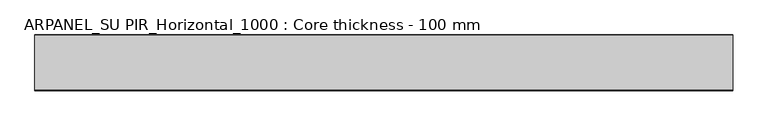
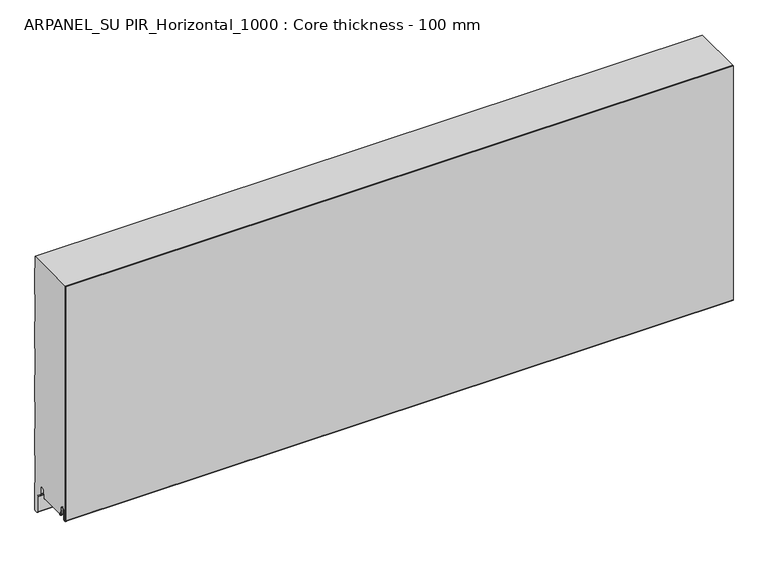
"""IFC4 building model written with IfcOpenShell, lengths in millimetres: plate geometry, ARPANEL_SU PIR_Horizontal_1000 : Core thickness - 100 mm."""

from ifc_helpers import new_model, si_unit, frame, origin, place, context, project, spatial, polyline, circle_curve, source, transform, mapped, element, save
from ifc_brep_helpers import plane_surface, cylinder_surface, revolved_surface, advanced_brep


def arpanel_su_pir_horizontal_1000_core_thickness_100_mm_6539feec(model_context):
    return source(origin(), model_context, "Body", "AdvancedBrep", [
        advanced_brep(
        [(620.0, -99.9996949, 40.1048196), (620.0, -93.81449, 39.8022656), (620.0, -92.197116, 56.2975213), (620.0, -89.1776715, 59.0045826), (620.0, -86.1582271, 56.2975213), (620.0, -84.7725998, 42.165801), (620.0, -80.3830995, 42.3804834), (620.0, -81.1830995, 42.3804834), (620.0, -83.9764178, 42.2438674), (620.0, -85.3620451, 56.3755876), (620.0, -89.1776715, 59.8046226), (620.0, -92.9932979, 56.3755876), (620.0, -94.6106719, 39.8803319), (620.0, -99.1996949, 40.1047726), (620.0, -99.2, 500.0), (620.0, -99.9996949, 500.0), (-620.0, -99.1996949, 40.1047726), (-620.0, -94.6106719, 39.8803319), (-620.0, -92.9932979, 56.3755876), (-620.0, -89.1776715, 59.8046226), (-620.0, -85.3620451, 56.3755876), (-620.0, -83.9764178, 42.2438674), (-620.0, -81.1830995, 42.3804834), (-620.0, -80.3830995, 42.3804834), (-620.0, -84.7725998, 42.165801), (-620.0, -86.1582271, 56.2975213), (-620.0, -89.1776715, 59.0045826), (-620.0, -92.197116, 56.2975213), (-620.0, -93.81449, 39.8022656), (-620.0, -99.9996949, 40.1048196), (-620.0, -99.9996949, 500.0), (-620.0, -99.2, 500.0)],
        [
            (0, 1, circle_curve(frame((620.0, -96.8996949, 40.1047726), z_axis=(1.0, 0.0, 0.0), x_axis=(0.0, 0.0, -1.0)), 3.1)),
            (1, 2),
            (2, 3, circle_curve(frame((620.0, -89.2114338, 56.0047726), z_axis=(-1.0, 0.0, 0.0), x_axis=(0.0, 0.0, -1.0)), 3.0)),
            (3, 4, circle_curve(frame((620.0, -89.1439093, 56.0047726), z_axis=(-1.0, 0.0, 0.0), x_axis=(0.0, 0.0, -1.0)), 3.0)),
            (4, 5),
            (5, 6, circle_curve(frame((620.0, -82.5830995, 42.3804834), z_axis=(1.0, 0.0, 0.0), x_axis=(0.0, 0.0, -1.0)), 2.2)),
            (6, 7),
            (7, 8, circle_curve(frame((620.0, -82.5830995, 42.3804834), z_axis=(-1.0, 0.0, 0.0), x_axis=(0.0, 0.0, -1.0)), 1.4)),
            (8, 9),
            (9, 10, circle_curve(frame((620.0, -89.1439093, 56.0047726), z_axis=(1.0, 0.0, 0.0), x_axis=(0.0, 0.0, -1.0)), 3.8)),
            (10, 11, circle_curve(frame((620.0, -89.2114338, 56.0047726), z_axis=(1.0, 0.0, 0.0), x_axis=(0.0, 0.0, -1.0)), 3.8)),
            (11, 12),
            (12, 13, circle_curve(frame((620.0, -96.8996949, 40.1047726), z_axis=(-1.0, 0.0, 0.0), x_axis=(0.0, 0.0, -1.0)), 2.3)),
            (13, 14),
            (14, 15),
            (15, 0),
            (16, 17, circle_curve(frame((-620.0, -96.8996949, 40.1047726), z_axis=(1.0, 0.0, 0.0), x_axis=(0.0, 0.0, -1.0)), 2.3)),
            (17, 18),
            (18, 19, circle_curve(frame((-620.0, -89.2114338, 56.0047726), z_axis=(-1.0, 0.0, 0.0), x_axis=(0.0, 0.0, -1.0)), 3.8)),
            (19, 20, circle_curve(frame((-620.0, -89.1439093, 56.0047726), z_axis=(-1.0, 0.0, 0.0), x_axis=(0.0, 0.0, -1.0)), 3.8)),
            (20, 21),
            (21, 22, circle_curve(frame((-620.0, -82.5830995, 42.3804834), z_axis=(1.0, 0.0, 0.0), x_axis=(0.0, 0.0, -1.0)), 1.4)),
            (22, 23),
            (23, 24, circle_curve(frame((-620.0, -82.5830995, 42.3804834), z_axis=(-1.0, 0.0, 0.0), x_axis=(0.0, 0.0, -1.0)), 2.2)),
            (24, 25),
            (25, 26, circle_curve(frame((-620.0, -89.1439093, 56.0047726), z_axis=(1.0, 0.0, 0.0), x_axis=(0.0, 0.0, -1.0)), 3.0)),
            (26, 27, circle_curve(frame((-620.0, -89.2114338, 56.0047726), z_axis=(1.0, 0.0, 0.0), x_axis=(0.0, 0.0, -1.0)), 3.0)),
            (27, 28),
            (28, 29, circle_curve(frame((-620.0, -96.8996949, 40.1047726), z_axis=(-1.0, 0.0, 0.0), x_axis=(0.0, 0.0, -1.0)), 3.1)),
            (29, 30),
            (30, 31),
            (31, 16),
            (13, 16),
            (31, 14),
            (29, 0),
            (15, 30),
            (12, 17),
            (11, 18),
            (10, 19),
            (9, 20),
            (8, 21),
            (7, 22),
            (6, 23),
            (5, 24),
            (4, 25),
            (3, 26),
            (2, 27),
            (1, 28),
        ],
        [
            plane_surface(frame((620.0, -100.0, 0.0), z_axis=(1.0, 0.0, 0.0), x_axis=(0.0, 1.0, 0.0))),
            plane_surface(frame((-620.0, -100.0, 0.0), z_axis=(-1.0, 0.0, 0.0), x_axis=(0.0, 1.0, 0.0))),
            plane_surface(frame((620.0, -99.2, 40.1047726), z_axis=(0.0, 1.0, 0.0), x_axis=(-1.0, 0.0, 0.0))),
            plane_surface(frame((620.0, -99.9996949, 1030.8000005), z_axis=(0.0, -1.0, 0.0), x_axis=(-1.0, 0.0, 0.0))),
            revolved_surface(polyline([(-620.0, -96.8996949, 37.8047726), (620.0, -96.8996949, 37.8047726)]), (620.0, -96.8996949, 40.1047726), (-1.0, 0.0, 0.0)),
            plane_surface(frame((620.0, -92.9932979, 56.3755876), z_axis=(0.0, -0.9952273999818314, 0.09758289975914787), x_axis=(-1.0, 0.0, 0.0))),
            cylinder_surface(frame((620.0, -89.2114338, 56.0047726), z_axis=(1.0, 0.0, 0.0), x_axis=(0.0, 0.0, -1.0)), 3.8),
            cylinder_surface(frame((620.0, -89.1439093, 56.0047726), z_axis=(1.0, 0.0, 0.0), x_axis=(0.0, 0.0, -1.0)), 3.8),
            plane_surface(frame((620.0, -83.9764178, 42.2438674), z_axis=(0.0, 0.9952273999818297, 0.09758289975916531), x_axis=(-1.0, 0.0, 0.0))),
            revolved_surface(polyline([(-620.0, -82.5830995, 40.980483400000004), (620.0, -82.5830995, 40.980483400000004)]), (620.0, -82.5830995, 42.3804834), (-1.0, 0.0, 0.0)),
            plane_surface(frame((620.0, -80.3830995, 42.3804834), z_axis=(0.0, 0.0, 1.0), x_axis=(-1.0, 0.0, 0.0))),
            cylinder_surface(frame((620.0, -82.5830995, 42.3804834), z_axis=(1.0, 0.0, 0.0), x_axis=(0.0, 0.0, -1.0)), 2.2),
            plane_surface(frame((620.0, -86.1582271, 56.2975213), z_axis=(0.0, -0.9952273999818296, -0.09758289975916527), x_axis=(-1.0, 0.0, 0.0))),
            revolved_surface(polyline([(-620.0, -89.1439093, 53.0047726), (620.0, -89.1439093, 53.0047726)]), (620.0, -89.1439093, 56.0047726), (-1.0, 0.0, 0.0)),
            revolved_surface(polyline([(-620.0, -89.2114338, 53.0047726), (620.0, -89.2114338, 53.0047726)]), (620.0, -89.2114338, 56.0047726), (-1.0, 0.0, 0.0)),
            plane_surface(frame((620.0, -93.81449, 39.8022656), z_axis=(0.0, 0.9952273999818314, -0.09758289975914787), x_axis=(-1.0, 0.0, 0.0))),
            cylinder_surface(frame((620.0, -96.8996949, 40.1047726), z_axis=(1.0, 0.0, 0.0), x_axis=(0.0, 0.0, -1.0)), 3.1),
            plane_surface(frame((-620.0, 134.0533409, 500.0), z_axis=(0.0, 0.0, 1.0), x_axis=(1.0, 0.0, 0.0))),
        ],
        [
            (0, [[1, 2, 3, 4, 5, 6, 7, 8, 9, 10, 11, 12, 13, 14, 15, 16]]),
            (1, [[17, 18, 19, 20, 21, 22, 23, 24, 25, 26, 27, 28, 29, 30, 31, 32]]),
            (2, [[33, -32, 34, -14]]),
            (3, [[35, -16, 36, -30]]),
            (4, [[-13, 37, -17, -33]]),
            (5, [[-12, 38, -18, -37]]),
            (6, [[-11, 39, -19, -38]]),
            (7, [[-10, 40, -20, -39]]),
            (8, [[-9, 41, -21, -40]]),
            (9, [[-8, 42, -22, -41]]),
            (10, [[-7, 43, -23, -42]]),
            (11, [[-6, 44, -24, -43]]),
            (12, [[-5, 45, -25, -44]]),
            (13, [[-4, 46, -26, -45]]),
            (14, [[-3, 47, -27, -46]]),
            (15, [[-2, 48, -28, -47]]),
            (16, [[-1, -35, -29, -48]]),
            (17, [[-15, -34, -31, -36]]),
        ],
    ),
        advanced_brep(
        [(620.0, -34.0468325, 41.6703125), (620.0, -34.1991613, 42.1885183), (620.0, -34.6332818, 44.6505377), (620.0, -33.8454356, 44.7894563), (620.0, -33.4113151, 42.3274369), (620.0, -30.1822811, 42.4684196), (620.0, -28.9698453, 56.3266239), (620.0, -25.1843055, 59.7954321), (620.0, -23.0, 59.7954321), (620.0, -19.2, 55.9954321), (620.0, -19.2, 43.8723898), (620.0, -17.5667978, 40.7350375), (620.0, -11.2468331, 36.3097506), (620.0, -9.2, 32.3778208), (620.0, -9.2, 2.6273641), (620.0, -7.37, 0.7973641), (620.0, -2.63, 0.7973641), (620.0, -0.8, 2.6273641), (620.0, -0.8, 54.1944521), (620.0, -1.0986697, 55.2458679), (620.0, -1.5003051, 56.6662489), (620.0, -1.5003051, 106.8260321), (620.0, -1.0971009, 108.2454435), (620.0, -0.8, 109.2978289), (620.0, -0.8, 159.4576121), (620.0, -1.0986697, 160.5090279), (620.0, -1.5003051, 161.9294089), (620.0, -1.5003051, 212.0891921), (620.0, -1.0971009, 213.5086035), (620.0, -0.8, 214.5609889), (620.0, -0.8, 264.7207721), (620.0, -1.0986697, 265.7721879), (620.0, -1.5003051, 267.1925689), (620.0, -1.5003051, 317.3523521), (620.0, -1.0971009, 318.7717635), (620.0, -0.8, 319.8241489), (620.0, -0.8, 369.9839321), (620.0, -1.0986697, 371.0353479), (620.0, -1.5003051, 372.4557289), (620.0, -1.5003051, 422.6155121), (620.0, -1.0971009, 424.0349235), (620.0, -0.8, 425.0873089), (620.0, -0.8, 475.2470921), (620.0, -1.0986697, 476.2985079), (620.0, -1.5003051, 477.7188889), (620.0, -1.5003051, 500.0), (620.0, -99.2, 500.0), (620.0, -99.2, 40.1047726), (620.0, -94.6106719, 39.8803319), (620.0, -92.9932979, 56.3755876), (620.0, -89.1776715, 59.8046226), (620.0, -85.3620451, 56.3755876), (620.0, -83.9764178, 42.2438674), (620.0, -81.1830995, 42.3804834), (620.0, -80.3830995, 42.3804834), (620.0, -80.5008754, 41.6703125), (-620.0, -34.1991613, 42.1885183), (-620.0, -34.0468325, 41.6703125), (-620.0, -80.5008754, 41.6703125), (-620.0, -80.3830995, 42.3804834), (-620.0, -81.1830995, 42.3804834), (-620.0, -83.9764178, 42.2438674), (-620.0, -85.3620451, 56.3755876), (-620.0, -89.1776715, 59.8046226), (-620.0, -92.9932979, 56.3755876), (-620.0, -94.6106719, 39.8803319), (-620.0, -99.1996949, 40.1047726), (-620.0, -99.2, 500.0), (-620.0, -1.5003051, 500.0), (-620.0, -1.5003051, 477.7188889), (-620.0, -1.0971009, 476.2994775), (-620.0, -0.8, 475.2470921), (-620.0, -0.8, 425.0873089), (-620.0, -1.0986697, 424.035893), (-620.0, -1.5003051, 422.6155121), (-620.0, -1.5003051, 372.4557289), (-620.0, -1.0971009, 371.0363175), (-620.0, -0.8, 369.9839321), (-620.0, -0.8, 319.8241489), (-620.0, -1.0986697, 318.772733), (-620.0, -1.5003051, 317.3523521), (-620.0, -1.5003051, 267.1925689), (-620.0, -1.0971009, 265.7731575), (-620.0, -0.8, 264.7207721), (-620.0, -0.8, 214.5609889), (-620.0, -1.0986697, 213.509573), (-620.0, -1.5003051, 212.0891921), (-620.0, -1.5003051, 161.9294089), (-620.0, -1.0971009, 160.5099975), (-620.0, -0.8, 159.4576121), (-620.0, -0.8, 109.2978289), (-620.0, -1.0986697, 108.246413), (-620.0, -1.5003051, 106.8260321), (-620.0, -1.5003051, 56.6662489), (-620.0, -1.0971009, 55.2468375), (-620.0, -0.8, 54.1944521), (-620.0, -0.8, 2.6273641), (-620.0, -2.63, 0.7973641), (-620.0, -7.37, 0.7973641), (-620.0, -9.2, 2.6273641), (-620.0, -9.2, 32.3778208), (-620.0, -11.2468331, 36.3097506), (-620.0, -17.5667978, 40.7350375), (-620.0, -19.2, 43.8723898), (-620.0, -19.2, 55.9954321), (-620.0, -23.0, 59.7954321), (-620.0, -25.1843055, 59.7954321), (-620.0, -28.9698453, 56.3266239), (-620.0, -30.1822811, 42.4684196), (-620.0, -33.4113151, 42.3274369), (-620.0, -33.8454356, 44.7894563), (-620.0, -34.6332818, 44.6505377)],
        [
            (0, 1, circle_curve(frame((620.0, -31.8060785, 42.6104834), z_axis=(-1.0, 0.0, 0.0), x_axis=(0.0, 0.0, -1.0)), 2.43)),
            (1, 2),
            (2, 3),
            (3, 4),
            (4, 5, circle_curve(frame((620.0, -31.8060785, 42.6104834), z_axis=(1.0, 0.0, 0.0), x_axis=(0.0, 0.0, -1.0)), 1.63)),
            (5, 6),
            (6, 7, circle_curve(frame((620.0, -25.1843055, 55.9954321), z_axis=(-1.0, 0.0, 0.0), x_axis=(0.0, 0.0, -1.0)), 3.8)),
            (7, 8),
            (8, 9, circle_curve(frame((620.0, -23.0, 55.9954321), z_axis=(-1.0, 0.0, 0.0), x_axis=(0.0, 0.0, -1.0)), 3.8)),
            (9, 10),
            (10, 11, circle_curve(frame((620.0, -15.37, 43.8723898), z_axis=(1.0, 0.0, 0.0), x_axis=(0.0, 0.0, -1.0)), 3.83)),
            (11, 12),
            (12, 13, circle_curve(frame((620.0, -14.0, 32.3778208), z_axis=(-1.0, 0.0, 0.0), x_axis=(0.0, 0.0, -1.0)), 4.8)),
            (13, 14),
            (14, 15, circle_curve(frame((620.0, -7.37, 2.6273641), z_axis=(1.0, 0.0, 0.0), x_axis=(0.0, 0.0, -1.0)), 1.83)),
            (15, 16),
            (16, 17, circle_curve(frame((620.0, -2.63, 2.6273641), z_axis=(1.0, 0.0, 0.0), x_axis=(0.0, 0.0, -1.0)), 1.83)),
            (17, 18),
            (18, 19, circle_curve(frame((620.0, -2.8, 54.1944521), z_axis=(1.0, 0.0, 0.0), x_axis=(0.0, 0.0, -1.0)), 2.0)),
            (19, 20, circle_curve(frame((620.0, 1.1996949, 56.6662489), z_axis=(-1.0, 0.0, 0.0), x_axis=(0.0, 0.0, -1.0)), 2.7)),
            (20, 21),
            (21, 22, circle_curve(frame((620.0, 1.1996949, 106.8260321), z_axis=(-1.0, 0.0, 0.0), x_axis=(0.0, 0.0, -1.0)), 2.7)),
            (22, 23, circle_curve(frame((620.0, -2.8, 109.2978289), z_axis=(1.0, 0.0, 0.0), x_axis=(0.0, 0.0, -1.0)), 2.0)),
            (23, 24),
            (24, 25, circle_curve(frame((620.0, -2.8, 159.4576121), z_axis=(1.0, 0.0, 0.0), x_axis=(0.0, 0.0, -1.0)), 2.0)),
            (25, 26, circle_curve(frame((620.0, 1.1996949, 161.9294089), z_axis=(-1.0, 0.0, 0.0), x_axis=(0.0, 0.0, -1.0)), 2.7)),
            (26, 27),
            (27, 28, circle_curve(frame((620.0, 1.1996949, 212.0891921), z_axis=(-1.0, 0.0, 0.0), x_axis=(0.0, 0.0, -1.0)), 2.7)),
            (28, 29, circle_curve(frame((620.0, -2.8, 214.5609889), z_axis=(1.0, 0.0, 0.0), x_axis=(0.0, 0.0, -1.0)), 2.0)),
            (29, 30),
            (30, 31, circle_curve(frame((620.0, -2.8, 264.7207721), z_axis=(1.0, 0.0, 0.0), x_axis=(0.0, 0.0, -1.0)), 2.0)),
            (31, 32, circle_curve(frame((620.0, 1.1996949, 267.1925689), z_axis=(-1.0, 0.0, 0.0), x_axis=(0.0, 0.0, -1.0)), 2.7)),
            (32, 33),
            (33, 34, circle_curve(frame((620.0, 1.1996949, 317.3523521), z_axis=(-1.0, 0.0, 0.0), x_axis=(0.0, 0.0, -1.0)), 2.7)),
            (34, 35, circle_curve(frame((620.0, -2.8, 319.8241489), z_axis=(1.0, 0.0, 0.0), x_axis=(0.0, 0.0, -1.0)), 2.0)),
            (35, 36),
            (36, 37, circle_curve(frame((620.0, -2.8, 369.9839321), z_axis=(1.0, 0.0, 0.0), x_axis=(0.0, 0.0, -1.0)), 2.0)),
            (37, 38, circle_curve(frame((620.0, 1.1996949, 372.4557289), z_axis=(-1.0, 0.0, 0.0), x_axis=(0.0, 0.0, -1.0)), 2.7)),
            (38, 39),
            (39, 40, circle_curve(frame((620.0, 1.1996949, 422.6155121), z_axis=(-1.0, 0.0, 0.0), x_axis=(0.0, 0.0, -1.0)), 2.7)),
            (40, 41, circle_curve(frame((620.0, -2.8, 425.0873089), z_axis=(1.0, 0.0, 0.0), x_axis=(0.0, 0.0, -1.0)), 2.0)),
            (41, 42),
            (42, 43, circle_curve(frame((620.0, -2.8, 475.2470921), z_axis=(1.0, 0.0, 0.0), x_axis=(0.0, 0.0, -1.0)), 2.0)),
            (43, 44, circle_curve(frame((620.0, 1.1996949, 477.7188889), z_axis=(-1.0, 0.0, 0.0), x_axis=(0.0, 0.0, -1.0)), 2.7)),
            (44, 45),
            (45, 46),
            (46, 47),
            (47, 48, circle_curve(frame((620.0, -96.8996949, 40.1047726), z_axis=(1.0, 0.0, 0.0), x_axis=(0.0, 0.0, -1.0)), 2.3)),
            (48, 49),
            (49, 50, circle_curve(frame((620.0, -89.2114338, 56.0047726), z_axis=(-1.0, 0.0, 0.0), x_axis=(0.0, 0.0, -1.0)), 3.8)),
            (50, 51, circle_curve(frame((620.0, -89.1439093, 56.0047726), z_axis=(-1.0, 0.0, 0.0), x_axis=(0.0, 0.0, -1.0)), 3.8)),
            (51, 52),
            (52, 53, circle_curve(frame((620.0, -82.5830995, 42.3804834), z_axis=(1.0, 0.0, 0.0), x_axis=(0.0, 0.0, -1.0)), 1.4)),
            (53, 54),
            (54, 55, circle_curve(frame((620.0, -82.5830995, 42.3804834), z_axis=(-1.0, 0.0, 0.0), x_axis=(0.0, 0.0, -1.0)), 2.2)),
            (55, 0),
            (56, 57, circle_curve(frame((-620.0, -31.8060785, 42.6104834), z_axis=(1.0, 0.0, 0.0), x_axis=(0.0, 0.0, -1.0)), 2.43)),
            (57, 58),
            (58, 59, circle_curve(frame((-620.0, -82.5830995, 42.3804834), z_axis=(1.0, 0.0, 0.0), x_axis=(0.0, 0.0, -1.0)), 2.2)),
            (59, 60),
            (60, 61, circle_curve(frame((-620.0, -82.5830995, 42.3804834), z_axis=(-1.0, 0.0, 0.0), x_axis=(0.0, 0.0, -1.0)), 1.4)),
            (61, 62),
            (62, 63, circle_curve(frame((-620.0, -89.1439093, 56.0047726), z_axis=(1.0, 0.0, 0.0), x_axis=(0.0, 0.0, -1.0)), 3.8)),
            (63, 64, circle_curve(frame((-620.0, -89.2114338, 56.0047726), z_axis=(1.0, 0.0, 0.0), x_axis=(0.0, 0.0, -1.0)), 3.8)),
            (64, 65),
            (65, 66, circle_curve(frame((-620.0, -96.8996949, 40.1047726), z_axis=(-1.0, 0.0, 0.0), x_axis=(0.0, 0.0, -1.0)), 2.3)),
            (66, 67),
            (67, 68),
            (68, 69),
            (69, 70, circle_curve(frame((-620.0, 1.1996949, 477.7188889), z_axis=(1.0, 0.0, 0.0), x_axis=(0.0, 0.0, -1.0)), 2.7)),
            (70, 71, circle_curve(frame((-620.0, -2.8, 475.2470921), z_axis=(-1.0, 0.0, 0.0), x_axis=(0.0, 0.0, -1.0)), 2.0)),
            (71, 72),
            (72, 73, circle_curve(frame((-620.0, -2.8, 425.0873089), z_axis=(-1.0, 0.0, 0.0), x_axis=(0.0, 0.0, -1.0)), 2.0)),
            (73, 74, circle_curve(frame((-620.0, 1.1996949, 422.6155121), z_axis=(1.0, 0.0, 0.0), x_axis=(0.0, 0.0, -1.0)), 2.7)),
            (74, 75),
            (75, 76, circle_curve(frame((-620.0, 1.1996949, 372.4557289), z_axis=(1.0, 0.0, 0.0), x_axis=(0.0, 0.0, -1.0)), 2.7)),
            (76, 77, circle_curve(frame((-620.0, -2.8, 369.9839321), z_axis=(-1.0, 0.0, 0.0), x_axis=(0.0, 0.0, -1.0)), 2.0)),
            (77, 78),
            (78, 79, circle_curve(frame((-620.0, -2.8, 319.8241489), z_axis=(-1.0, 0.0, 0.0), x_axis=(0.0, 0.0, -1.0)), 2.0)),
            (79, 80, circle_curve(frame((-620.0, 1.1996949, 317.3523521), z_axis=(1.0, 0.0, 0.0), x_axis=(0.0, 0.0, -1.0)), 2.7)),
            (80, 81),
            (81, 82, circle_curve(frame((-620.0, 1.1996949, 267.1925689), z_axis=(1.0, 0.0, 0.0), x_axis=(0.0, 0.0, -1.0)), 2.7)),
            (82, 83, circle_curve(frame((-620.0, -2.8, 264.7207721), z_axis=(-1.0, 0.0, 0.0), x_axis=(0.0, 0.0, -1.0)), 2.0)),
            (83, 84),
            (84, 85, circle_curve(frame((-620.0, -2.8, 214.5609889), z_axis=(-1.0, 0.0, 0.0), x_axis=(0.0, 0.0, -1.0)), 2.0)),
            (85, 86, circle_curve(frame((-620.0, 1.1996949, 212.0891921), z_axis=(1.0, 0.0, 0.0), x_axis=(0.0, 0.0, -1.0)), 2.7)),
            (86, 87),
            (87, 88, circle_curve(frame((-620.0, 1.1996949, 161.9294089), z_axis=(1.0, 0.0, 0.0), x_axis=(0.0, 0.0, -1.0)), 2.7)),
            (88, 89, circle_curve(frame((-620.0, -2.8, 159.4576121), z_axis=(-1.0, 0.0, 0.0), x_axis=(0.0, 0.0, -1.0)), 2.0)),
            (89, 90),
            (90, 91, circle_curve(frame((-620.0, -2.8, 109.2978289), z_axis=(-1.0, 0.0, 0.0), x_axis=(0.0, 0.0, -1.0)), 2.0)),
            (91, 92, circle_curve(frame((-620.0, 1.1996949, 106.8260321), z_axis=(1.0, 0.0, 0.0), x_axis=(0.0, 0.0, -1.0)), 2.7)),
            (92, 93),
            (93, 94, circle_curve(frame((-620.0, 1.1996949, 56.6662489), z_axis=(1.0, 0.0, 0.0), x_axis=(0.0, 0.0, -1.0)), 2.7)),
            (94, 95, circle_curve(frame((-620.0, -2.8, 54.1944521), z_axis=(-1.0, 0.0, 0.0), x_axis=(0.0, 0.0, -1.0)), 2.0)),
            (95, 96),
            (96, 97, circle_curve(frame((-620.0, -2.63, 2.6273641), z_axis=(-1.0, 0.0, 0.0), x_axis=(0.0, 0.0, -1.0)), 1.83)),
            (97, 98),
            (98, 99, circle_curve(frame((-620.0, -7.37, 2.6273641), z_axis=(-1.0, 0.0, 0.0), x_axis=(0.0, 0.0, -1.0)), 1.83)),
            (99, 100),
            (100, 101, circle_curve(frame((-620.0, -14.0, 32.3778208), z_axis=(1.0, 0.0, 0.0), x_axis=(0.0, 0.0, -1.0)), 4.8)),
            (101, 102),
            (102, 103, circle_curve(frame((-620.0, -15.37, 43.8723898), z_axis=(-1.0, 0.0, 0.0), x_axis=(0.0, 0.0, -1.0)), 3.83)),
            (103, 104),
            (104, 105, circle_curve(frame((-620.0, -23.0, 55.9954321), z_axis=(1.0, 0.0, 0.0), x_axis=(0.0, 0.0, -1.0)), 3.8)),
            (105, 106),
            (106, 107, circle_curve(frame((-620.0, -25.1843055, 55.9954321), z_axis=(1.0, 0.0, 0.0), x_axis=(0.0, 0.0, -1.0)), 3.8)),
            (107, 108),
            (108, 109, circle_curve(frame((-620.0, -31.8060785, 42.6104834), z_axis=(-1.0, 0.0, 0.0), x_axis=(0.0, 0.0, -1.0)), 1.63)),
            (109, 110),
            (110, 111),
            (111, 56),
            (57, 0),
            (55, 58),
            (66, 47),
            (46, 67),
            (65, 48),
            (64, 49),
            (63, 50),
            (62, 51),
            (61, 52),
            (60, 53),
            (59, 54),
            (45, 68),
            (56, 1),
            (111, 2),
            (110, 3),
            (109, 4),
            (108, 5),
            (107, 6),
            (106, 7),
            (105, 8),
            (104, 9),
            (103, 10),
            (102, 11),
            (101, 12),
            (100, 13),
            (99, 14),
            (98, 15),
            (97, 16),
            (96, 17),
            (95, 18),
            (94, 19),
            (93, 20),
            (92, 21),
            (91, 22),
            (90, 23),
            (89, 24),
            (88, 25),
            (87, 26),
            (86, 27),
            (85, 28),
            (84, 29),
            (83, 30),
            (82, 31),
            (81, 32),
            (80, 33),
            (79, 34),
            (78, 35),
            (77, 36),
            (76, 37),
            (75, 38),
            (74, 39),
            (73, 40),
            (72, 41),
            (71, 42),
            (70, 43),
            (69, 44),
        ],
        [
            plane_surface(frame((620.0, 0.0, 0.0), z_axis=(1.0, 0.0, 0.0), x_axis=(0.0, -1.0, 0.0))),
            plane_surface(frame((-620.0, 0.0, 0.0), z_axis=(-1.0, 0.0, 0.0), x_axis=(0.0, -1.0, 0.0))),
            plane_surface(frame((620.0, -81.0, 41.6703125), z_axis=(0.0, 0.0, -1.0), x_axis=(-1.0, 0.0, 0.0))),
            plane_surface(frame((750.0, -99.2, 40.1047726), z_axis=(0.0, -1.0, 0.0), x_axis=(-1.0, 0.0, 0.0))),
            cylinder_surface(frame((750.0, -96.8996949, 40.1047726), z_axis=(-1.0, 0.0, 0.0), x_axis=(0.0, 0.0, -1.0)), 2.3),
            plane_surface(frame((750.0, -92.9932979, 56.3755876), z_axis=(0.0, 0.9952273999818314, -0.09758289975914787), x_axis=(-1.0, 0.0, 0.0))),
            revolved_surface(polyline([(620.0, -89.2114338, 52.204772600000005), (-620.0, -89.2114338, 52.204772600000005)]), (750.0, -89.2114338, 56.0047726), (1.0, 0.0, 0.0)),
            revolved_surface(polyline([(620.0, -89.1439093, 52.204772600000005), (-620.0, -89.1439093, 52.204772600000005)]), (750.0, -89.1439093, 56.0047726), (1.0, 0.0, 0.0)),
            plane_surface(frame((750.0, -83.9764178, 42.2438674), z_axis=(0.0, -0.9952273999818297, -0.09758289975916531), x_axis=(-1.0, 0.0, 0.0))),
            cylinder_surface(frame((750.0, -82.5830995, 42.3804834), z_axis=(-1.0, 0.0, 0.0), x_axis=(0.0, 0.0, -1.0)), 1.4),
            plane_surface(frame((750.0, -80.3830995, 42.3804834), z_axis=(0.0, 0.0, -1.0), x_axis=(-1.0, 0.0, 0.0))),
            revolved_surface(polyline([(620.0, -82.5830995, 40.1804834), (-620.0, -82.5830995, 40.1804834)]), (750.0, -82.5830995, 42.3804834), (1.0, 0.0, 0.0)),
            plane_surface(frame((-620.0, 134.0533409, 500.0), z_axis=(0.0, 0.0, 1.0), x_axis=(1.0, 0.0, 0.0))),
            revolved_surface(polyline([(620.0, -31.8060785, 40.1804834), (-620.0, -31.8060785, 40.1804834)]), (750.0, -31.8060785, 42.6104834), (1.0, 0.0, 0.0)),
            plane_surface(frame((750.0, -34.6332818, 44.6505377), z_axis=(0.0, 0.9848077530122206, 0.1736481776668594), x_axis=(-1.0, 0.0, 0.0))),
            plane_surface(frame((750.0, -33.8454356, 44.7894563), z_axis=(0.0, 0.17364817766684099, -0.9848077530122239), x_axis=(-1.0, 0.0, 0.0))),
            plane_surface(frame((750.0, -33.4113151, 42.3274369), z_axis=(0.0, -0.9848077530122203, -0.17364817766686078), x_axis=(-1.0, 0.0, 0.0))),
            cylinder_surface(frame((750.0, -31.8060785, 42.6104834), z_axis=(-1.0, 0.0, 0.0), x_axis=(0.0, 0.0, -1.0)), 1.63),
            plane_surface(frame((750.0, -28.9698453, 56.3266239), z_axis=(0.0, 0.996194698091768, -0.08715574274740188), x_axis=(-1.0, 0.0, 0.0))),
            revolved_surface(polyline([(620.0, -25.1843055, 52.195432100000005), (-620.0, -25.1843055, 52.195432100000005)]), (750.0, -25.1843055, 55.9954321), (1.0, 0.0, 0.0)),
            plane_surface(frame((750.0, -23.0, 59.7954321), z_axis=(0.0, 0.0, -1.0), x_axis=(-1.0, 0.0, 0.0))),
            revolved_surface(polyline([(620.0, -23.0, 52.195432100000005), (-620.0, -23.0, 52.195432100000005)]), (750.0, -23.0, 55.9954321), (1.0, 0.0, 0.0)),
            plane_surface(frame((750.0, -19.2, 43.8723898), z_axis=(0.0, -1.0, 0.0), x_axis=(-1.0, 0.0, 0.0))),
            cylinder_surface(frame((750.0, -15.37, 43.8723898), z_axis=(-1.0, 0.0, 0.0), x_axis=(0.0, 0.0, -1.0)), 3.83),
            plane_surface(frame((750.0, -11.2468331, 36.3097506), z_axis=(0.0, -0.5735764363510797, -0.8191520442889684), x_axis=(-1.0, 0.0, 0.0))),
            revolved_surface(polyline([(620.0, -14.0, 27.5778208), (-620.0, -14.0, 27.5778208)]), (750.0, -14.0, 32.3778208), (1.0, 0.0, 0.0)),
            plane_surface(frame((750.0, -9.2, 2.6273641), z_axis=(0.0, -1.0, 0.0), x_axis=(-1.0, 0.0, 0.0))),
            cylinder_surface(frame((750.0, -7.37, 2.6273641), z_axis=(-1.0, 0.0, 0.0), x_axis=(0.0, 0.0, -1.0)), 1.83),
            plane_surface(frame((750.0, -2.63, 0.7973641), z_axis=(0.0, 0.0, -1.0), x_axis=(-1.0, 0.0, 0.0))),
            cylinder_surface(frame((750.0, -2.63, 2.6273641), z_axis=(-1.0, 0.0, 0.0), x_axis=(0.0, 0.0, -1.0)), 1.83),
            plane_surface(frame((750.0, -0.8, 54.1944521), z_axis=(0.0, 1.0, 0.0), x_axis=(-1.0, 0.0, 0.0))),
            cylinder_surface(frame((750.0, -2.8, 54.1944521), z_axis=(-1.0, 0.0, 0.0), x_axis=(0.0, 0.0, -1.0)), 2.0),
            revolved_surface(polyline([(620.0, 1.1996949, 53.9662489), (-620.0, 1.1996949, 53.9662489)]), (750.0, 1.1996949, 56.6662489), (1.0, 0.0, 0.0)),
            plane_surface(frame((750.0, -1.5003051, 106.8260321), z_axis=(0.0, 1.0, 0.0), x_axis=(-1.0, 0.0, 0.0))),
            revolved_surface(polyline([(620.0, 1.1996949, 104.1260321), (-620.0, 1.1996949, 104.1260321)]), (750.0, 1.1996949, 106.8260321), (1.0, 0.0, 0.0)),
            cylinder_surface(frame((750.0, -2.8, 109.2978289), z_axis=(-1.0, 0.0, 0.0), x_axis=(0.0, 0.0, -1.0)), 2.0),
            plane_surface(frame((750.0, -0.8, 159.4576121), z_axis=(0.0, 1.0, 0.0), x_axis=(-1.0, 0.0, 0.0))),
            cylinder_surface(frame((750.0, -2.8, 159.4576121), z_axis=(-1.0, 0.0, 0.0), x_axis=(0.0, 0.0, -1.0)), 2.0),
            revolved_surface(polyline([(620.0, 1.1996949, 159.2294089), (-620.0, 1.1996949, 159.2294089)]), (750.0, 1.1996949, 161.9294089), (1.0, 0.0, 0.0)),
            plane_surface(frame((750.0, -1.5003051, 212.0891921), z_axis=(0.0, 1.0, 0.0), x_axis=(-1.0, 0.0, 0.0))),
            revolved_surface(polyline([(620.0, 1.1996949, 209.3891921), (-620.0, 1.1996949, 209.3891921)]), (750.0, 1.1996949, 212.0891921), (1.0, 0.0, 0.0)),
            cylinder_surface(frame((750.0, -2.8, 214.5609889), z_axis=(-1.0, 0.0, 0.0), x_axis=(0.0, 0.0, -1.0)), 2.0),
            plane_surface(frame((750.0, -0.8, 264.7207721), z_axis=(0.0, 1.0, 0.0), x_axis=(-1.0, 0.0, 0.0))),
            cylinder_surface(frame((750.0, -2.8, 264.7207721), z_axis=(-1.0, 0.0, 0.0), x_axis=(0.0, 0.0, -1.0)), 2.0),
            revolved_surface(polyline([(620.0, 1.1996949, 264.49256890000004), (-620.0, 1.1996949, 264.49256890000004)]), (750.0, 1.1996949, 267.1925689), (1.0, 0.0, 0.0)),
            plane_surface(frame((750.0, -1.5003051, 317.3523521), z_axis=(0.0, 1.0, 0.0), x_axis=(-1.0, 0.0, 0.0))),
            revolved_surface(polyline([(620.0, 1.1996949, 314.65235210000003), (-620.0, 1.1996949, 314.65235210000003)]), (750.0, 1.1996949, 317.3523521), (1.0, 0.0, 0.0)),
            cylinder_surface(frame((750.0, -2.8, 319.8241489), z_axis=(-1.0, 0.0, 0.0), x_axis=(0.0, 0.0, -1.0)), 2.0),
            plane_surface(frame((750.0, -0.8, 369.9839321), z_axis=(0.0, 1.0, 0.0), x_axis=(-1.0, 0.0, 0.0))),
            cylinder_surface(frame((750.0, -2.8, 369.9839321), z_axis=(-1.0, 0.0, 0.0), x_axis=(0.0, 0.0, -1.0)), 2.0),
            revolved_surface(polyline([(620.0, 1.1996949, 369.7557289), (-620.0, 1.1996949, 369.7557289)]), (750.0, 1.1996949, 372.4557289), (1.0, 0.0, 0.0)),
            plane_surface(frame((750.0, -1.5003051, 422.6155121), z_axis=(0.0, 1.0, 0.0), x_axis=(-1.0, 0.0, 0.0))),
            revolved_surface(polyline([(620.0, 1.1996949, 419.9155121), (-620.0, 1.1996949, 419.9155121)]), (750.0, 1.1996949, 422.6155121), (1.0, 0.0, 0.0)),
            cylinder_surface(frame((750.0, -2.8, 425.0873089), z_axis=(-1.0, 0.0, 0.0), x_axis=(0.0, 0.0, -1.0)), 2.0),
            plane_surface(frame((750.0, -0.8, 475.2470921), z_axis=(0.0, 1.0, 0.0), x_axis=(-1.0, 0.0, 0.0))),
            cylinder_surface(frame((750.0, -2.8, 475.2470921), z_axis=(-1.0, 0.0, 0.0), x_axis=(0.0, 0.0, -1.0)), 2.0),
            revolved_surface(polyline([(620.0, 1.1996949, 475.01888890000004), (-620.0, 1.1996949, 475.01888890000004)]), (750.0, 1.1996949, 477.7188889), (1.0, 0.0, 0.0)),
            plane_surface(frame((750.0, -1.5003051, 527.8786721), z_axis=(0.0, 1.0, 0.0), x_axis=(-1.0, 0.0, 0.0))),
        ],
        [
            (0, [[1, 2, 3, 4, 5, 6, 7, 8, 9, 10, 11, 12, 13, 14, 15, 16, 17, 18, 19, 20, 21, 22, 23, 24, 25, 26, 27, 28, 29, 30, 31, 32, 33, 34, 35, 36, 37, 38, 39, 40, 41, 42, 43, 44, 45, 46, 47, 48, 49, 50, 51, 52, 53, 54, 55, 56]]),
            (1, [[57, 58, 59, 60, 61, 62, 63, 64, 65, 66, 67, 68, 69, 70, 71, 72, 73, 74, 75, 76, 77, 78, 79, 80, 81, 82, 83, 84, 85, 86, 87, 88, 89, 90, 91, 92, 93, 94, 95, 96, 97, 98, 99, 100, 101, 102, 103, 104, 105, 106, 107, 108, 109, 110, 111, 112]]),
            (2, [[113, -56, 114, -58]]),
            (3, [[115, -47, 116, -67]]),
            (4, [[-115, -66, 117, -48]]),
            (5, [[-117, -65, 118, -49]]),
            (6, [[-118, -64, 119, -50]]),
            (7, [[-119, -63, 120, -51]]),
            (8, [[-120, -62, 121, -52]]),
            (9, [[-121, -61, 122, -53]]),
            (10, [[-122, -60, 123, -54]]),
            (11, [[-123, -59, -114, -55]]),
            (12, [[124, -68, -116, -46]]),
            (13, [[125, -1, -113, -57]]),
            (14, [[-125, -112, 126, -2]]),
            (15, [[-126, -111, 127, -3]]),
            (16, [[-127, -110, 128, -4]]),
            (17, [[-128, -109, 129, -5]]),
            (18, [[-129, -108, 130, -6]]),
            (19, [[-130, -107, 131, -7]]),
            (20, [[-131, -106, 132, -8]]),
            (21, [[-132, -105, 133, -9]]),
            (22, [[-133, -104, 134, -10]]),
            (23, [[-134, -103, 135, -11]]),
            (24, [[-135, -102, 136, -12]]),
            (25, [[-136, -101, 137, -13]]),
            (26, [[-137, -100, 138, -14]]),
            (27, [[-138, -99, 139, -15]]),
            (28, [[-139, -98, 140, -16]]),
            (29, [[-140, -97, 141, -17]]),
            (30, [[-141, -96, 142, -18]]),
            (31, [[-142, -95, 143, -19]]),
            (32, [[-143, -94, 144, -20]]),
            (33, [[-144, -93, 145, -21]]),
            (34, [[-145, -92, 146, -22]]),
            (35, [[-146, -91, 147, -23]]),
            (36, [[-147, -90, 148, -24]]),
            (37, [[-148, -89, 149, -25]]),
            (38, [[-149, -88, 150, -26]]),
            (39, [[-150, -87, 151, -27]]),
            (40, [[-151, -86, 152, -28]]),
            (41, [[-152, -85, 153, -29]]),
            (42, [[-153, -84, 154, -30]]),
            (43, [[-154, -83, 155, -31]]),
            (44, [[-155, -82, 156, -32]]),
            (45, [[-156, -81, 157, -33]]),
            (46, [[-157, -80, 158, -34]]),
            (47, [[-158, -79, 159, -35]]),
            (48, [[-159, -78, 160, -36]]),
            (49, [[-160, -77, 161, -37]]),
            (50, [[-161, -76, 162, -38]]),
            (51, [[-162, -75, 163, -39]]),
            (52, [[-163, -74, 164, -40]]),
            (53, [[-164, -73, 165, -41]]),
            (54, [[-165, -72, 166, -42]]),
            (55, [[-166, -71, 167, -43]]),
            (56, [[-167, -70, 168, -44]]),
            (57, [[-168, -69, -124, -45]]),
        ],
    ),
    ])


if __name__ == "__main__":
    model = new_model("IFC4")
    model_context = context("Model", 3, world=origin())
    ifc_project = project(units=[si_unit("LENGTHUNIT", "METRE", prefix="MILLI")], contexts=[model_context])
    site = spatial("IfcSite", under=ifc_project)
    building = spatial("IfcBuilding", under=site)
    placement = place(None, origin())
    arpanel_su_pir_horizontal_1000_core_thickness_100_mm_shape = arpanel_su_pir_horizontal_1000_core_thickness_100_mm_6539feec(model_context)
    element("IfcPlate", 1, ObjectType="ARPANEL_SU PIR_Horizontal_1000 : Core thickness - 100 mm", at=placement, inside=building, context=model_context, shape_type="MappedRepresentation", body=[
        mapped(arpanel_su_pir_horizontal_1000_core_thickness_100_mm_shape, transform((0.0, 0.0, 0.0), x_axis=(1.0, 0.0, 0.0), y_axis=(0.0, 1.0, 0.0), z_axis=(0.0, 0.0, 1.0))),
    ])
    save(model, "model.ifc")
